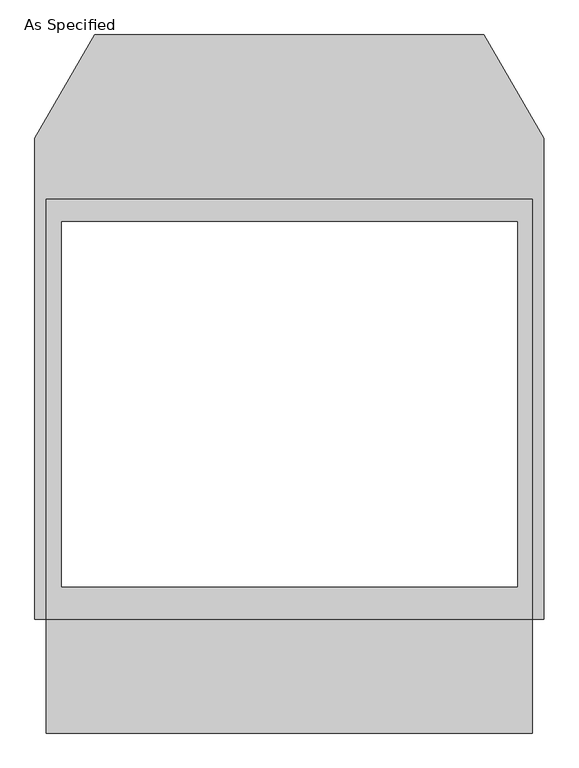
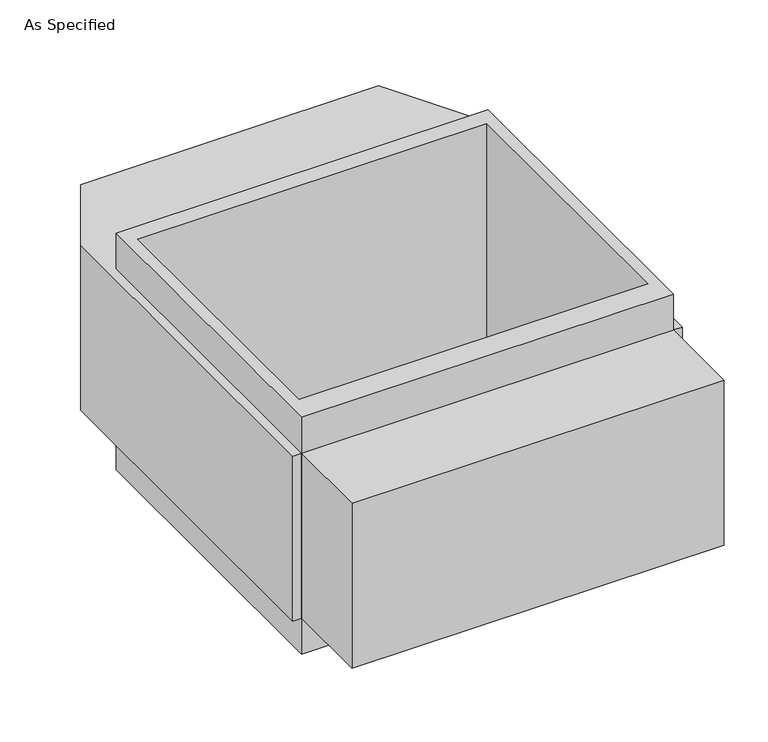
"""IFC4 building model written with IfcOpenShell, lengths in millimetres: proxy geometry, As Specified."""

from ifc_helpers import new_model, si_unit, frame, origin, place, context, project, spatial, polyline, outline, extrude, source, transform, mapped, element, save


def as_specified_a876c54d(model_context):
    return source(origin(), model_context, "Body", "SweptSolid", [
        extrude(outline(polyline([(812.8, 617.8351562), (812.8, -785.5148438), (-812.8, -785.5148438), (-812.8, 617.8351562), (812.8, 617.8351562)]), holes=[polyline([(-762.0, 541.6748437), (-762.0, -677.5251563), (762.0, -677.5251563), (762.0, 541.6748437), (-762.0, 541.6748437)])]), frame((0.0, 0.0, -952.5), z_axis=(0.0, 0.0, 1.0), x_axis=(1.0, 0.0, 0.0)), (0.0, 0.0, 1.0), 1092.2),
        extrude(outline(polyline([(812.8, -1166.5148438), (-812.8, -1166.5148438), (-812.8, -785.5148438), (-850.9, -785.5148438), (-850.9, 821.0748437), (-651.460123, 1166.5148437), (651.460123, 1166.5148437), (850.9, 821.0748437), (850.9, -785.5148438), (812.8, -785.5148438), (812.8, -1166.5148438)]), holes=[polyline([(762.0, -677.5251563), (762.0, 541.6748437), (-762.0, 541.6748437), (-762.0, -677.5251563), (762.0, -677.5251563)])]), frame((0.0, 0.0, -787.4), z_axis=(0.0, 0.0, 1.0), x_axis=(1.0, 0.0, 0.0)), (0.0, 0.0, 1.0), 762.0),
    ])


if __name__ == "__main__":
    model = new_model("IFC4")
    model_context = context("Model", 3, world=origin())
    ifc_project = project(units=[si_unit("LENGTHUNIT", "METRE", prefix="MILLI")], contexts=[model_context])
    site = spatial("IfcSite", under=ifc_project)
    building = spatial("IfcBuilding", under=site)
    placement = place(None, origin())
    as_specified_shape = as_specified_a876c54d(model_context)
    element("IfcBuildingElementProxy", 1, Name="As Specified", ObjectType="As Specified", at=placement, inside=building, context=model_context, shape_type="MappedRepresentation", body=[
        mapped(as_specified_shape, transform((0.0, 0.0, 0.0), x_axis=(1.0, 0.0, 0.0), y_axis=(0.0, 1.0, 0.0), z_axis=(0.0, 0.0, 1.0))),
    ])
    save(model, "model.ifc")
